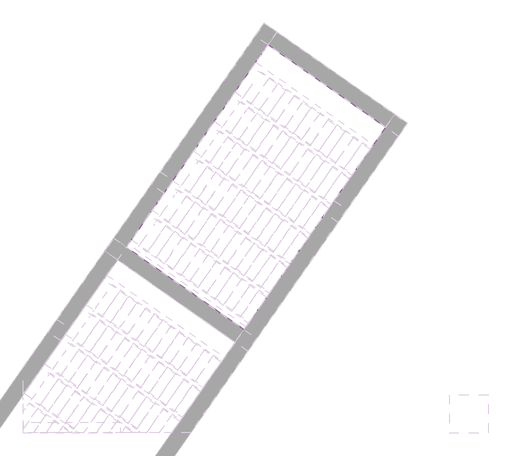
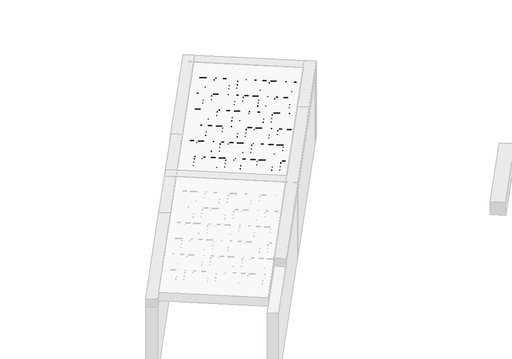
# One storey, part 4 of 6: 1 slab.
"""IFC4 building model written with IfcOpenShell, lengths in millimetres."""

from ifc_helpers import new_model, si_unit, frame, origin, place, context, project, spatial, polyline, outline, extrude, element, save

model = new_model("IFC4")

# Units and contexts
model_context = context("Model", 3, world=origin())
ifc_project = project(units=[si_unit("LENGTHUNIT", "METRE", prefix="MILLI")], contexts=[model_context])

# Site, building, storey
site = spatial("IfcSite", under=ifc_project)
building = spatial("IfcBuilding", under=site)
storey = spatial("IfcBuildingStorey", under=building, Elevation=93640.0)

# Slab
placement = place(None, origin())
element("IfcSlab", 1, at=placement, inside=storey, context=model_context, shape_type="SweptSolid", body=[
    extrude(outline(polyline([(29.5013912, 47.0318266), (24.7445698, 43.4584287), (22.859371, 37.8155084), (21.5, -28.884294), (35.0, -58.884294), (35.0, -88.884294), (30.0, -93.884294), (-30.0, -93.884294), (-35.0000001, -88.884294), (-35.0000001, -58.884294), (-21.5, -28.884294), (-22.859371, 37.8155084), (-24.7445699, 43.4584287), (-29.5013912, 47.0318266), (-55.0, 56.115706), (-55.0, 86.115706), (55.0, 86.115706), (55.0, 56.115706), (29.5013912, 47.0318266)])), frame((4111.8311631, 5334.5807621, 95776.115706), z_axis=(-0.8191520442696125, 0.5735764363787225, 0.0), x_axis=(0.5735764363787225, 0.8191520442696125, 0.0)), (0.0, 0.0, 1.0), 2784.44855),
    extrude(outline(polyline([(29.5013912, 47.0318266), (24.7445698, 43.4584287), (22.859371, 37.8155084), (21.5, -28.884294), (35.0, -58.884294), (35.0, -88.884294), (30.0, -93.884294), (-29.9999999, -93.884294), (-35.0, -88.884294), (-35.0, -58.884294), (-21.5, -28.884294), (-22.859371, 37.8155084), (-24.7445698, 43.4584287), (-29.5013913, 47.0318266), (-55.0000001, 56.115706), (-55.0000001, 86.115706), (55.0, 86.115706), (55.0, 56.115706), (29.5013912, 47.0318266)])), frame((4513.3346685, 5907.9871931, 95776.115706), z_axis=(-0.8191520442696125, 0.5735764363787225, 0.0), x_axis=(0.5735764363787225, 0.8191520442696125, 0.0)), (0.0, 0.0, 1.0), 2784.44855),
    extrude(outline(polyline([(29.5013912, 47.0318266), (24.7445698, 43.4584287), (22.859371, 37.8155084), (21.5, -28.884294), (35.0, -58.884294), (35.0, -88.884294), (30.0, -93.884294), (-30.0000001, -93.884294), (-35.0000001, -88.884294), (-35.0000001, -58.884294), (-21.5, -28.884294), (-22.859371, 37.8155084), (-24.7445699, 43.4584287), (-29.5013913, 47.0318266), (-55.0000001, 56.115706), (-55.0000001, 86.115706), (55.0, 86.115706), (55.0, 56.115706), (29.5013912, 47.0318266)])), frame((4914.838174, 6481.3936241, 95776.115706), z_axis=(-0.8191520442696125, 0.5735764363787225, 0.0), x_axis=(0.5735764363787225, 0.8191520442696125, 0.0)), (0.0, 0.0, 1.0), 2784.44855),
    extrude(outline(polyline([(29.5013912, 47.0318266), (24.7445698, 43.4584287), (22.8593709, 37.8155084), (21.5, -28.884294), (35.0, -58.884294), (35.0, -88.884294), (30.0, -93.884294), (-30.0000001, -93.884294), (-35.0000001, -88.884294), (-35.0000001, -58.884294), (-21.5, -28.884294), (-22.859371, 37.8155084), (-24.7445699, 43.4584287), (-29.5013913, 47.0318266), (-55.0000001, 56.115706), (-55.0000001, 86.115706), (55.0, 86.115706), (55.0, 56.115706), (29.5013912, 47.0318266)])), frame((5316.3416795, 7054.8000551, 95776.115706), z_axis=(-0.8191520442696125, 0.5735764363787225, 0.0), x_axis=(0.5735764363787225, 0.8191520442696125, 0.0)), (0.0, 0.0, 1.0), 2784.44855),
    extrude(outline(polyline([(29.5013913, 47.0318266), (24.7445699, 43.4584287), (22.859371, 37.8155084), (21.5, -28.884294), (35.0000001, -58.884294), (35.0000001, -88.884294), (30.0000001, -93.884294), (-29.9999999, -93.884294), (-34.9999999, -88.884294), (-34.9999999, -58.884294), (-21.4999999, -28.884294), (-22.8593709, 37.8155084), (-24.7445697, 43.4584287), (-29.5013912, 47.0318266), (-55.0, 56.115706), (-55.0, 86.115706), (55.0000001, 86.115706), (55.0000001, 56.115706), (29.5013913, 47.0318266)])), frame((5717.8451849, 7628.206486, 95776.115706), z_axis=(-0.8191520442696125, 0.5735764363787225, 0.0), x_axis=(0.5735764363787225, 0.8191520442696125, 0.0)), (0.0, 0.0, 1.0), 2784.44855),
    extrude(outline(polyline([(29.5013913, 47.0318266), (24.7445699, 43.4584287), (22.859371, 37.8155084), (21.5, -28.884294), (35.0000001, -58.884294), (35.0000001, -88.884294), (30.0000001, -93.884294), (-30.0, -93.884294), (-35.0, -88.884294), (-35.0, -58.884294), (-21.5, -28.884294), (-22.8593709, 37.8155084), (-24.7445698, 43.4584287), (-29.5013912, 47.0318266), (-55.0, 56.115706), (-55.0, 86.115706), (55.0000001, 86.115706), (55.0000001, 56.115706), (29.5013913, 47.0318266)])), frame((6119.3486904, 8201.612917, 95776.115706), z_axis=(-0.8191520442696125, 0.5735764363787225, 0.0), x_axis=(0.5735764363787225, 0.8191520442696125, 0.0)), (0.0, 0.0, 1.0), 2784.44855),
    extrude(outline(polyline([(29.5013913, 47.0318266), (24.7445699, 43.4584287), (22.859371, 37.8155084), (21.5, -28.884294), (35.0, -58.884294), (35.0, -88.884294), (30.0000001, -93.884294), (-30.0, -93.884294), (-35.0, -88.884294), (-35.0, -58.884294), (-21.5, -28.884294), (-22.859371, 37.8155084), (-24.7445698, 43.4584287), (-29.5013912, 47.0318266), (-55.0, 56.115706), (-55.0, 86.115706), (55.0000001, 86.115706), (55.0000001, 56.115706), (29.5013913, 47.0318266)])), frame((6520.8521959, 8775.019348, 95776.115706), z_axis=(-0.8191520442696125, 0.5735764363787225, 0.0), x_axis=(0.5735764363787225, 0.8191520442696125, 0.0)), (0.0, 0.0, 1.0), 2784.44855),
    extrude(outline(polyline([(2493.3397853, 7877.6734289), (2665.4127162, 8123.4190422), (4510.119792, 10757.9337753), (6791.0065139, 9160.8396987), (5792.9652978, 7735.4891254), (5620.8923669, 7489.7435122), (4041.8548378, 5234.6442127), (1760.9681159, 6831.7382893), (2493.3397853, 7877.6734289)])), frame((0.0, 0.0, 95690.0), z_axis=(0.0, 0.0, 1.0), x_axis=(1.0, 0.0, 0.0)), (0.0, 0.0, 1.0), 250.0),
    extrude(outline(polyline([(-295.0, 58.1660714), (-295.0, 89.9723214), (294.9999999, 89.9723214), (294.9999999, 58.1660714), (318.0, 49.9723214), (318.0, 29.9723214), (277.0, -18.0276786), (256.0, -100.0276786), (240.0, -110.0276786), (-240.0, -110.0276786), (-256.0, -100.0276786), (-277.0, -18.0276786), (-318.0, 29.9723214), (-318.0, 49.9723214), (-295.0, 58.1660714)])), frame((4312.5829158, 5621.2839776, 95778.1660714), z_axis=(-0.8191520442696126, 0.5735764363787226, 0.0), x_axis=(0.5735764363787226, 0.8191520442696126, 0.0)), (0.0, 0.0, 1.0), 195.0),
    extrude(outline(polyline([(-295.0000001, 58.1660714), (-295.0000001, 89.9723214), (294.9999999, 89.9723214), (294.9999999, 58.1660714), (317.9999999, 49.9723214), (317.9999999, 29.9723214), (276.9999999, -18.0276786), (256.0, -100.0276786), (240.0, -110.0276786), (-240.0000001, -110.0276786), (-256.0000001, -100.0276786), (-277.0, -18.0276786), (-318.0, 29.9723214), (-318.0, 49.9723214), (-295.0000001, 58.1660714)])), frame((4148.752507, 5735.9992649, 95778.1660714), z_axis=(-0.8191520442696126, 0.5735764363787226, 0.0), x_axis=(0.5735764363787226, 0.8191520442696126, 0.0)), (0.0, 0.0, 1.0), 195.0),
    extrude(outline(polyline([(-294.9999999, 58.1660714), (-294.9999999, 89.9723214), (295.0, 89.9723214), (295.0, 58.1660714), (318.0, 49.9723214), (318.0, 29.9723214), (277.0, -18.0276786), (256.0, -100.0276786), (240.0, -110.0276786), (-240.0, -110.0276786), (-256.0, -100.0276786), (-277.0, -18.0276786), (-318.0, 29.9723214), (-318.0, 49.9723214), (-294.9999999, 58.1660714)])), frame((3984.9220981, 5850.7145521, 95778.1660714), z_axis=(-0.8191520442696126, 0.5735764363787226, 0.0), x_axis=(0.5735764363787226, 0.8191520442696126, 0.0)), (0.0, 0.0, 1.0), 195.0),
    extrude(outline(polyline([(-295.0, 58.1660714), (-295.0, 89.9723214), (295.0, 89.9723214), (295.0, 58.1660714), (318.0, 49.9723214), (318.0, 29.9723214), (277.0, -18.0276786), (256.0, -100.0276786), (240.0, -110.0276786), (-240.0, -110.0276786), (-256.0, -100.0276786), (-277.0, -18.0276786), (-318.0, 29.9723214), (-318.0, 49.9723214), (-295.0, 58.1660714)])), frame((3821.0916893, 5965.4298394, 95778.1660714), z_axis=(-0.8191520442696126, 0.5735764363787226, 0.0), x_axis=(0.5735764363787226, 0.8191520442696126, 0.0)), (0.0, 0.0, 1.0), 195.0),
    extrude(outline(polyline([(-295.0, 58.1660714), (-295.0, 89.9723214), (295.0, 89.9723214), (295.0, 58.1660714), (318.0, 49.9723214), (318.0, 29.9723214), (277.0, -18.0276786), (256.0, -100.0276786), (240.0, -110.0276786), (-240.0, -110.0276786), (-256.0, -100.0276786), (-277.0, -18.0276786), (-318.0, 29.9723214), (-318.0, 49.9723214), (-295.0, 58.1660714)])), frame((3657.2612804, 6080.1451267, 95778.1660714), z_axis=(-0.8191520442696126, 0.5735764363787226, 0.0), x_axis=(0.5735764363787226, 0.8191520442696126, 0.0)), (0.0, 0.0, 1.0), 195.0),
    extrude(outline(polyline([(-295.0, 58.1660714), (-295.0, 89.9723214), (295.0, 89.9723214), (295.0, 58.1660714), (318.0, 49.9723214), (318.0, 29.9723214), (277.0, -18.0276786), (256.0, -100.0276786), (240.0, -110.0276786), (-240.0, -110.0276786), (-256.0, -100.0276786), (-277.0, -18.0276786), (-318.0, 29.9723214), (-318.0, 49.9723214), (-295.0, 58.1660714)])), frame((3493.4308715, 6194.860414, 95778.1660714), z_axis=(-0.8191520442696126, 0.5735764363787226, 0.0), x_axis=(0.5735764363787226, 0.8191520442696126, 0.0)), (0.0, 0.0, 1.0), 195.0),
    extrude(outline(polyline([(-294.9999999, 58.1660714), (-294.9999999, 89.9723214), (295.0, 89.9723214), (295.0, 58.1660714), (318.0, 49.9723214), (318.0, 29.9723214), (277.0, -18.0276786), (256.0, -100.0276786), (240.0, -110.0276786), (-240.0, -110.0276786), (-256.0, -100.0276786), (-277.0, -18.0276786), (-318.0, 29.9723214), (-318.0, 49.9723214), (-294.9999999, 58.1660714)])), frame((3329.6004627, 6309.5757012, 95778.1660714), z_axis=(-0.8191520442696126, 0.5735764363787226, 0.0), x_axis=(0.5735764363787226, 0.8191520442696126, 0.0)), (0.0, 0.0, 1.0), 195.0),
    extrude(outline(polyline([(-294.9999999, 58.1660714), (-294.9999999, 89.9723214), (295.0000001, 89.9723214), (295.0000001, 58.1660714), (318.0, 49.9723214), (318.0, 29.9723214), (277.0, -18.0276786), (256.0000001, -100.0276786), (240.0, -110.0276786), (-240.0, -110.0276786), (-256.0, -100.0276786), (-276.9999999, -18.0276786), (-318.0, 29.9723214), (-318.0, 49.9723214), (-294.9999999, 58.1660714)])), frame((3165.7700538, 6424.2909885, 95778.1660714), z_axis=(-0.8191520442696126, 0.5735764363787226, 0.0), x_axis=(0.5735764363787226, 0.8191520442696126, 0.0)), (0.0, 0.0, 1.0), 195.0),
    extrude(outline(polyline([(-295.0, 58.1660714), (-295.0, 89.9723214), (295.0, 89.9723214), (295.0, 58.1660714), (318.0, 49.9723214), (318.0, 29.9723214), (277.0, -18.0276786), (256.0, -100.0276786), (240.0, -110.0276786), (-240.0, -110.0276786), (-256.0, -100.0276786), (-277.0, -18.0276786), (-318.0, 29.9723214), (-318.0, 49.9723214), (-295.0, 58.1660714)])), frame((3001.939645, 6539.0062758, 95778.1660714), z_axis=(-0.8191520442696126, 0.5735764363787226, 0.0), x_axis=(0.5735764363787226, 0.8191520442696126, 0.0)), (0.0, 0.0, 1.0), 195.0),
    extrude(outline(polyline([(-295.0, 58.1660714), (-295.0, 89.9723214), (295.0, 89.9723214), (295.0, 58.1660714), (318.0, 49.9723214), (318.0, 29.9723214), (277.0, -18.0276786), (256.0, -100.0276786), (240.0, -110.0276786), (-240.0, -110.0276786), (-256.0, -100.0276786), (-277.0, -18.0276786), (-318.0, 29.9723214), (-318.0, 49.9723214), (-295.0, 58.1660714)])), frame((2838.1092361, 6653.7215631, 95778.1660714), z_axis=(-0.8191520442696126, 0.5735764363787226, 0.0), x_axis=(0.5735764363787226, 0.8191520442696126, 0.0)), (0.0, 0.0, 1.0), 195.0),
    extrude(outline(polyline([(-295.0, 58.1660714), (-295.0, 89.9723214), (295.0, 89.9723214), (295.0, 58.1660714), (318.0, 49.9723214), (318.0, 29.9723214), (277.0, -18.0276786), (256.0, -100.0276786), (240.0, -110.0276786), (-240.0, -110.0276786), (-256.0, -100.0276786), (-277.0, -18.0276786), (-318.0, 29.9723214), (-318.0, 49.9723214), (-295.0, 58.1660714)])), frame((2674.2788273, 6768.4368503, 95778.1660714), z_axis=(-0.8191520442696126, 0.5735764363787226, 0.0), x_axis=(0.5735764363787226, 0.8191520442696126, 0.0)), (0.0, 0.0, 1.0), 195.0),
    extrude(outline(polyline([(-294.9999999, 58.1660714), (-294.9999999, 89.9723214), (295.0000001, 89.9723214), (295.0000001, 58.1660714), (318.0, 49.9723214), (318.0, 29.9723214), (277.0, -18.0276786), (256.0, -100.0276786), (240.0, -110.0276786), (-240.0, -110.0276786), (-256.0, -100.0276786), (-277.0, -18.0276786), (-318.0, 29.9723214), (-318.0, 49.9723214), (-294.9999999, 58.1660714)])), frame((2510.4484184, 6883.1521376, 95778.1660714), z_axis=(-0.8191520442696126, 0.5735764363787226, 0.0), x_axis=(0.5735764363787226, 0.8191520442696126, 0.0)), (0.0, 0.0, 1.0), 195.0),
    extrude(outline(polyline([(-295.0000001, 58.1660714), (-295.0000001, 89.9723214), (295.0, 89.9723214), (295.0, 58.1660714), (318.0, 49.9723214), (318.0, 29.9723214), (277.0, -18.0276786), (256.0, -100.0276786), (240.0, -110.0276786), (-240.0, -110.0276786), (-256.0, -100.0276786), (-277.0, -18.0276786), (-318.0, 29.9723214), (-318.0, 49.9723214), (-295.0000001, 58.1660714)])), frame((2346.6180096, 6997.8674249, 95778.1660714), z_axis=(-0.8191520442696126, 0.5735764363787226, 0.0), x_axis=(0.5735764363787226, 0.8191520442696126, 0.0)), (0.0, 0.0, 1.0), 195.0),
    extrude(outline(polyline([(-295.0, 58.1660714), (-295.0, 89.9723214), (294.9999999, 89.9723214), (294.9999999, 58.1660714), (318.0, 49.9723214), (318.0, 29.9723214), (277.0, -18.0276786), (256.0, -100.0276786), (240.0, -110.0276786), (-240.0, -110.0276786), (-256.0, -100.0276786), (-277.0, -18.0276786), (-318.0, 29.9723214), (-318.0, 49.9723214), (-295.0, 58.1660714)])), frame((4714.0864213, 6194.6904086, 95778.1660714), z_axis=(-0.8191520442696126, 0.5735764363787226, 0.0), x_axis=(0.5735764363787226, 0.8191520442696126, 0.0)), (0.0, 0.0, 1.0), 195.0),
    extrude(outline(polyline([(-295.0, 58.1660714), (-295.0, 89.9723214), (295.0, 89.9723214), (295.0, 58.1660714), (318.0, 49.9723214), (318.0, 29.9723214), (277.0, -18.0276786), (256.0, -100.0276786), (240.0, -110.0276786), (-240.0, -110.0276786), (-256.0, -100.0276786), (-277.0, -18.0276786), (-318.0, 29.9723214), (-318.0, 49.9723214), (-295.0, 58.1660714)])), frame((4550.2560124, 6309.4056959, 95778.1660714), z_axis=(-0.8191520442696126, 0.5735764363787226, 0.0), x_axis=(0.5735764363787226, 0.8191520442696126, 0.0)), (0.0, 0.0, 1.0), 195.0),
    extrude(outline(polyline([(-295.0, 58.1660714), (-295.0, 89.9723214), (295.0, 89.9723214), (295.0, 58.1660714), (318.0, 49.9723214), (318.0, 29.9723214), (277.0, -18.0276786), (256.0, -100.0276786), (240.0, -110.0276786), (-240.0, -110.0276786), (-256.0, -100.0276786), (-277.0, -18.0276786), (-318.0, 29.9723214), (-318.0, 49.9723214), (-295.0, 58.1660714)])), frame((4386.4256036, 6424.1209831, 95778.1660714), z_axis=(-0.8191520442696126, 0.5735764363787226, 0.0), x_axis=(0.5735764363787226, 0.8191520442696126, 0.0)), (0.0, 0.0, 1.0), 195.0),
    extrude(outline(polyline([(-295.0, 58.1660714), (-295.0, 89.9723214), (295.0000001, 89.9723214), (295.0000001, 58.1660714), (318.0, 49.9723214), (318.0, 29.9723214), (277.0, -18.0276786), (256.0, -100.0276786), (240.0, -110.0276786), (-240.0, -110.0276786), (-256.0, -100.0276786), (-277.0, -18.0276786), (-318.0, 29.9723214), (-318.0, 49.9723214), (-295.0, 58.1660714)])), frame((4222.5951947, 6538.8362704, 95778.1660714), z_axis=(-0.8191520442696126, 0.5735764363787226, 0.0), x_axis=(0.5735764363787226, 0.8191520442696126, 0.0)), (0.0, 0.0, 1.0), 195.0),
    extrude(outline(polyline([(-295.0000001, 58.1660714), (-295.0000001, 89.9723214), (294.9999999, 89.9723214), (294.9999999, 58.1660714), (318.0, 49.9723214), (318.0, 29.9723214), (276.9999999, -18.0276786), (256.0, -100.0276786), (240.0, -110.0276786), (-240.0, -110.0276786), (-256.0, -100.0276786), (-277.0, -18.0276786), (-318.0, 29.9723214), (-318.0, 49.9723214), (-295.0000001, 58.1660714)])), frame((4058.7647859, 6653.5515577, 95778.1660714), z_axis=(-0.8191520442696126, 0.5735764363787226, 0.0), x_axis=(0.5735764363787226, 0.8191520442696126, 0.0)), (0.0, 0.0, 1.0), 195.0),
    extrude(outline(polyline([(-295.0, 58.1660714), (-295.0, 89.9723214), (294.9999999, 89.9723214), (294.9999999, 58.1660714), (318.0, 49.9723214), (318.0, 29.9723214), (277.0, -18.0276786), (256.0, -100.0276786), (240.0, -110.0276786), (-240.0, -110.0276786), (-256.0, -100.0276786), (-277.0, -18.0276786), (-318.0, 29.9723214), (-318.0, 49.9723214), (-295.0, 58.1660714)])), frame((3894.934377, 6768.266845, 95778.1660714), z_axis=(-0.8191520442696126, 0.5735764363787226, 0.0), x_axis=(0.5735764363787226, 0.8191520442696126, 0.0)), (0.0, 0.0, 1.0), 195.0),
    extrude(outline(polyline([(-295.0, 58.1660714), (-295.0, 89.9723214), (295.0, 89.9723214), (295.0, 58.1660714), (318.0, 49.9723214), (318.0, 29.9723214), (277.0, -18.0276786), (256.0, -100.0276786), (240.0, -110.0276786), (-240.0, -110.0276786), (-256.0, -100.0276786), (-277.0, -18.0276786), (-318.0, 29.9723214), (-318.0, 49.9723214), (-295.0, 58.1660714)])), frame((3731.1039682, 6882.9821322, 95778.1660714), z_axis=(-0.8191520442696126, 0.5735764363787226, 0.0), x_axis=(0.5735764363787226, 0.8191520442696126, 0.0)), (0.0, 0.0, 1.0), 195.0),
    extrude(outline(polyline([(-295.0, 58.1660714), (-295.0, 89.9723214), (295.0, 89.9723214), (295.0, 58.1660714), (318.0, 49.9723214), (318.0, 29.9723214), (277.0, -18.0276786), (256.0, -100.0276786), (240.0, -110.0276786), (-240.0, -110.0276786), (-256.0, -100.0276786), (-277.0, -18.0276786), (-318.0, 29.9723214), (-318.0, 49.9723214), (-295.0, 58.1660714)])), frame((3567.2735593, 6997.6974195, 95778.1660714), z_axis=(-0.8191520442696126, 0.5735764363787226, 0.0), x_axis=(0.5735764363787226, 0.8191520442696126, 0.0)), (0.0, 0.0, 1.0), 195.0),
    extrude(outline(polyline([(-295.0000001, 58.1660714), (-295.0000001, 89.9723214), (294.9999999, 89.9723214), (294.9999999, 58.1660714), (318.0, 49.9723214), (318.0, 29.9723214), (276.9999999, -18.0276786), (256.0, -100.0276786), (240.0, -110.0276786), (-240.0, -110.0276786), (-256.0000001, -100.0276786), (-277.0, -18.0276786), (-318.0, 29.9723214), (-318.0, 49.9723214), (-295.0000001, 58.1660714)])), frame((3403.4431505, 7112.4127068, 95778.1660714), z_axis=(-0.8191520442696126, 0.5735764363787226, 0.0), x_axis=(0.5735764363787226, 0.8191520442696126, 0.0)), (0.0, 0.0, 1.0), 195.0),
    extrude(outline(polyline([(-295.0, 58.1660714), (-295.0, 89.9723214), (294.9999999, 89.9723214), (294.9999999, 58.1660714), (318.0, 49.9723214), (318.0, 29.9723214), (277.0, -18.0276786), (256.0, -100.0276786), (240.0, -110.0276786), (-240.0, -110.0276786), (-256.0, -100.0276786), (-277.0, -18.0276786), (-318.0, 29.9723214), (-318.0, 49.9723214), (-295.0, 58.1660714)])), frame((3239.6127416, 7227.1279941, 95778.1660714), z_axis=(-0.8191520442696126, 0.5735764363787226, 0.0), x_axis=(0.5735764363787226, 0.8191520442696126, 0.0)), (0.0, 0.0, 1.0), 195.0),
    extrude(outline(polyline([(-294.9999999, 58.1660714), (-294.9999999, 89.9723214), (295.0000001, 89.9723214), (295.0000001, 58.1660714), (318.0, 49.9723214), (318.0, 29.9723214), (277.0, -18.0276786), (256.0000001, -100.0276786), (240.0000001, -110.0276786), (-240.0, -110.0276786), (-256.0, -100.0276786), (-276.9999999, -18.0276786), (-317.9999999, 29.9723214), (-317.9999999, 49.9723214), (-294.9999999, 58.1660714)])), frame((3075.7823327, 7341.8432813, 95778.1660714), z_axis=(-0.8191520442696126, 0.5735764363787226, 0.0), x_axis=(0.5735764363787226, 0.8191520442696126, 0.0)), (0.0, 0.0, 1.0), 195.0),
    extrude(outline(polyline([(-294.9999999, 58.1660714), (-294.9999999, 89.9723214), (295.0, 89.9723214), (295.0, 58.1660714), (318.0, 49.9723214), (318.0, 29.9723214), (277.0, -18.0276786), (256.0, -100.0276786), (240.0, -110.0276786), (-240.0, -110.0276786), (-256.0, -100.0276786), (-277.0, -18.0276786), (-318.0, 29.9723214), (-318.0, 49.9723214), (-294.9999999, 58.1660714)])), frame((2911.9519239, 7456.5585686, 95778.1660714), z_axis=(-0.8191520442696126, 0.5735764363787226, 0.0), x_axis=(0.5735764363787226, 0.8191520442696126, 0.0)), (0.0, 0.0, 1.0), 195.0),
    extrude(outline(polyline([(-295.0, 58.1660714), (-295.0, 89.9723214), (295.0, 89.9723214), (295.0, 58.1660714), (318.0, 49.9723214), (318.0, 29.9723214), (277.0, -18.0276786), (256.0, -100.0276786), (240.0, -110.0276786), (-240.0, -110.0276786), (-256.0, -100.0276786), (-277.0, -18.0276786), (-318.0, 29.9723214), (-318.0, 49.9723214), (-295.0, 58.1660714)])), frame((2748.121515, 7571.2738559, 95778.1660714), z_axis=(-0.8191520442696126, 0.5735764363787226, 0.0), x_axis=(0.5735764363787226, 0.8191520442696126, 0.0)), (0.0, 0.0, 1.0), 195.0),
    extrude(outline(polyline([(-295.0, 58.1660714), (-295.0, 89.9723214), (295.0, 89.9723214), (295.0, 58.1660714), (318.0, 49.9723214), (318.0, 29.9723214), (277.0, -18.0276786), (256.0, -100.0276786), (240.0, -110.0276786), (-240.0, -110.0276786), (-256.0, -100.0276786), (-277.0, -18.0276786), (-318.0, 29.9723214), (-318.0, 49.9723214), (-295.0, 58.1660714)])), frame((5115.5899267, 6768.0968396, 95778.1660714), z_axis=(-0.8191520442696126, 0.5735764363787226, 0.0), x_axis=(0.5735764363787226, 0.8191520442696126, 0.0)), (0.0, 0.0, 1.0), 195.0),
    extrude(outline(polyline([(-294.9999999, 58.1660714), (-294.9999999, 89.9723214), (295.0, 89.9723214), (295.0, 58.1660714), (318.0, 49.9723214), (318.0, 29.9723214), (277.0, -18.0276786), (256.0, -100.0276786), (240.0, -110.0276786), (-240.0, -110.0276786), (-256.0, -100.0276786), (-277.0, -18.0276786), (-318.0, 29.9723214), (-318.0, 49.9723214), (-294.9999999, 58.1660714)])), frame((4951.7595179, 6882.8121268, 95778.1660714), z_axis=(-0.8191520442696126, 0.5735764363787226, 0.0), x_axis=(0.5735764363787226, 0.8191520442696126, 0.0)), (0.0, 0.0, 1.0), 195.0),
    extrude(outline(polyline([(-294.9999999, 58.1660714), (-294.9999999, 89.9723214), (295.0000001, 89.9723214), (295.0000001, 58.1660714), (318.0, 49.9723214), (318.0, 29.9723214), (277.0, -18.0276786), (256.0, -100.0276786), (240.0, -110.0276786), (-240.0, -110.0276786), (-256.0, -100.0276786), (-276.9999999, -18.0276786), (-318.0, 29.9723214), (-318.0, 49.9723214), (-294.9999999, 58.1660714)])), frame((4787.929109, 6997.5274141, 95778.1660714), z_axis=(-0.8191520442696126, 0.5735764363787226, 0.0), x_axis=(0.5735764363787226, 0.8191520442696126, 0.0)), (0.0, 0.0, 1.0), 195.0),
    extrude(outline(polyline([(-295.0, 58.1660714), (-295.0, 89.9723214), (295.0, 89.9723214), (295.0, 58.1660714), (318.0, 49.9723214), (318.0, 29.9723214), (277.0, -18.0276786), (256.0, -100.0276786), (240.0, -110.0276786), (-240.0, -110.0276786), (-256.0, -100.0276786), (-277.0, -18.0276786), (-318.0, 29.9723214), (-318.0, 49.9723214), (-295.0, 58.1660714)])), frame((4624.0987002, 7112.2427014, 95778.1660714), z_axis=(-0.8191520442696126, 0.5735764363787226, 0.0), x_axis=(0.5735764363787226, 0.8191520442696126, 0.0)), (0.0, 0.0, 1.0), 195.0),
    extrude(outline(polyline([(-295.0, 58.1660714), (-295.0, 89.9723214), (295.0, 89.9723214), (295.0, 58.1660714), (318.0, 49.9723214), (318.0, 29.9723214), (277.0, -18.0276786), (256.0, -100.0276786), (240.0, -110.0276786), (-240.0, -110.0276786), (-256.0, -100.0276786), (-277.0, -18.0276786), (-318.0, 29.9723214), (-318.0, 49.9723214), (-295.0, 58.1660714)])), frame((4460.2682913, 7226.9579887, 95778.1660714), z_axis=(-0.8191520442696126, 0.5735764363787226, 0.0), x_axis=(0.5735764363787226, 0.8191520442696126, 0.0)), (0.0, 0.0, 1.0), 195.0),
    extrude(outline(polyline([(-295.0, 58.1660714), (-295.0, 89.9723214), (295.0, 89.9723214), (295.0, 58.1660714), (318.0, 49.9723214), (318.0, 29.9723214), (277.0, -18.0276786), (256.0, -100.0276786), (240.0, -110.0276786), (-240.0, -110.0276786), (-256.0, -100.0276786), (-277.0, -18.0276786), (-318.0, 29.9723214), (-318.0, 49.9723214), (-295.0, 58.1660714)])), frame((4296.4378825, 7341.6732759, 95778.1660714), z_axis=(-0.8191520442696126, 0.5735764363787226, 0.0), x_axis=(0.5735764363787226, 0.8191520442696126, 0.0)), (0.0, 0.0, 1.0), 195.0),
    extrude(outline(polyline([(-294.9999999, 58.1660714), (-294.9999999, 89.9723214), (295.0000001, 89.9723214), (295.0000001, 58.1660714), (318.0, 49.9723214), (318.0, 29.9723214), (277.0, -18.0276786), (256.0, -100.0276786), (240.0, -110.0276786), (-240.0, -110.0276786), (-256.0, -100.0276786), (-277.0, -18.0276786), (-318.0, 29.9723214), (-318.0, 49.9723214), (-294.9999999, 58.1660714)])), frame((4132.6074736, 7456.3885632, 95778.1660714), z_axis=(-0.8191520442696126, 0.5735764363787226, 0.0), x_axis=(0.5735764363787226, 0.8191520442696126, 0.0)), (0.0, 0.0, 1.0), 195.0),
    extrude(outline(polyline([(-295.0000001, 58.1660714), (-295.0000001, 89.9723214), (295.0, 89.9723214), (295.0, 58.1660714), (318.0, 49.9723214), (318.0, 29.9723214), (277.0, -18.0276786), (256.0, -100.0276786), (240.0, -110.0276786), (-240.0, -110.0276786), (-256.0, -100.0276786), (-277.0, -18.0276786), (-318.0, 29.9723214), (-318.0, 49.9723214), (-295.0000001, 58.1660714)])), frame((3968.7770648, 7571.1038505, 95778.1660714), z_axis=(-0.8191520442696126, 0.5735764363787226, 0.0), x_axis=(0.5735764363787226, 0.8191520442696126, 0.0)), (0.0, 0.0, 1.0), 195.0),
    extrude(outline(polyline([(-295.0, 58.1660714), (-295.0, 89.9723214), (294.9999999, 89.9723214), (294.9999999, 58.1660714), (318.0, 49.9723214), (318.0, 29.9723214), (277.0, -18.0276786), (256.0, -100.0276786), (240.0, -110.0276786), (-240.0, -110.0276786), (-256.0, -100.0276786), (-277.0, -18.0276786), (-318.0, 29.9723214), (-318.0, 49.9723214), (-295.0, 58.1660714)])), frame((3804.9466559, 7685.8191378, 95778.1660714), z_axis=(-0.8191520442696126, 0.5735764363787226, 0.0), x_axis=(0.5735764363787226, 0.8191520442696126, 0.0)), (0.0, 0.0, 1.0), 195.0),
    extrude(outline(polyline([(-295.0, 58.1660714), (-295.0, 89.9723214), (295.0, 89.9723214), (295.0, 58.1660714), (318.0, 49.9723214), (318.0, 29.9723214), (277.0, -18.0276786), (256.0, -100.0276786), (240.0, -110.0276786), (-240.0, -110.0276786), (-256.0, -100.0276786), (-277.0, -18.0276786), (-318.0, 29.9723214), (-318.0, 49.9723214), (-295.0, 58.1660714)])), frame((3641.1162471, 7800.534425, 95778.1660714), z_axis=(-0.8191520442696126, 0.5735764363787226, 0.0), x_axis=(0.5735764363787226, 0.8191520442696126, 0.0)), (0.0, 0.0, 1.0), 195.0),
    extrude(outline(polyline([(-294.9999999, 58.1660714), (-294.9999999, 89.9723214), (295.0, 89.9723214), (295.0, 58.1660714), (318.0, 49.9723214), (318.0, 29.9723214), (277.0, -18.0276786), (256.0, -100.0276786), (240.0, -110.0276786), (-240.0, -110.0276786), (-256.0, -100.0276786), (-277.0, -18.0276786), (-318.0, 29.9723214), (-318.0, 49.9723214), (-294.9999999, 58.1660714)])), frame((3477.2858382, 7915.2497123, 95778.1660714), z_axis=(-0.8191520442696126, 0.5735764363787226, 0.0), x_axis=(0.5735764363787226, 0.8191520442696126, 0.0)), (0.0, 0.0, 1.0), 195.0),
    extrude(outline(polyline([(-295.0000001, 58.1660714), (-295.0000001, 89.9723214), (295.0, 89.9723214), (295.0, 58.1660714), (318.0, 49.9723214), (318.0, 29.9723214), (277.0, -18.0276786), (256.0, -100.0276786), (240.0, -110.0276786), (-240.0, -110.0276786), (-256.0, -100.0276786), (-277.0, -18.0276786), (-318.0, 29.9723214), (-318.0, 49.9723214), (-295.0000001, 58.1660714)])), frame((3313.4554294, 8029.9649996, 95778.1660714), z_axis=(-0.8191520442696126, 0.5735764363787226, 0.0), x_axis=(0.5735764363787226, 0.8191520442696126, 0.0)), (0.0, 0.0, 1.0), 195.0),
    extrude(outline(polyline([(-295.0, 58.1660714), (-295.0, 89.9723214), (294.9999999, 89.9723214), (294.9999999, 58.1660714), (318.0, 49.9723214), (318.0, 29.9723214), (277.0, -18.0276786), (256.0, -100.0276786), (240.0, -110.0276786), (-240.0, -110.0276786), (-256.0, -100.0276786), (-277.0, -18.0276786), (-318.0, 29.9723214), (-318.0, 49.9723214), (-295.0, 58.1660714)])), frame((3149.6250205, 8144.6802869, 95778.1660714), z_axis=(-0.8191520442696126, 0.5735764363787226, 0.0), x_axis=(0.5735764363787226, 0.8191520442696126, 0.0)), (0.0, 0.0, 1.0), 195.0),
    extrude(outline(polyline([(-295.0, 58.1660714), (-295.0, 89.9723214), (294.9999999, 89.9723214), (294.9999999, 58.1660714), (318.0, 49.9723214), (318.0, 29.9723214), (277.0, -18.0276786), (256.0, -100.0276786), (240.0, -110.0276786), (-240.0, -110.0276786), (-256.0, -100.0276786), (-277.0, -18.0276786), (-318.0, 29.9723214), (-318.0, 49.9723214), (-295.0, 58.1660714)])), frame((5517.0934322, 7341.5032706, 95778.1660714), z_axis=(-0.8191520442696126, 0.5735764363787226, 0.0), x_axis=(0.5735764363787226, 0.8191520442696126, 0.0)), (0.0, 0.0, 1.0), 195.0),
    extrude(outline(polyline([(-295.0, 58.1660714), (-295.0, 89.9723214), (295.0, 89.9723214), (295.0, 58.1660714), (318.0, 49.9723214), (318.0, 29.9723214), (277.0, -18.0276786), (256.0, -100.0276786), (240.0, -110.0276786), (-240.0, -110.0276786), (-256.0, -100.0276786), (-277.0, -18.0276786), (-318.0, 29.9723214), (-318.0, 49.9723214), (-295.0, 58.1660714)])), frame((5353.2630234, 7456.2185578, 95778.1660714), z_axis=(-0.8191520442696126, 0.5735764363787226, 0.0), x_axis=(0.5735764363787226, 0.8191520442696126, 0.0)), (0.0, 0.0, 1.0), 195.0),
    extrude(outline(polyline([(-295.0, 58.1660714), (-295.0, 89.9723214), (295.0, 89.9723214), (295.0, 58.1660714), (318.0, 49.9723214), (318.0, 29.9723214), (277.0, -18.0276786), (256.0, -100.0276786), (240.0, -110.0276786), (-240.0, -110.0276786), (-256.0, -100.0276786), (-277.0, -18.0276786), (-318.0, 29.9723214), (-318.0, 49.9723214), (-295.0, 58.1660714)])), frame((5189.4326145, 7570.9338451, 95778.1660714), z_axis=(-0.8191520442696126, 0.5735764363787226, 0.0), x_axis=(0.5735764363787226, 0.8191520442696126, 0.0)), (0.0, 0.0, 1.0), 195.0),
    extrude(outline(polyline([(-295.0000001, 58.1660714), (-295.0000001, 89.9723214), (294.9999999, 89.9723214), (294.9999999, 58.1660714), (318.0, 49.9723214), (318.0, 29.9723214), (276.9999999, -18.0276786), (256.0, -100.0276786), (240.0, -110.0276786), (-240.0, -110.0276786), (-256.0000001, -100.0276786), (-277.0, -18.0276786), (-318.0, 29.9723214), (-318.0, 49.9723214), (-295.0000001, 58.1660714)])), frame((5025.6022057, 7685.6491324, 95778.1660714), z_axis=(-0.8191520442696126, 0.5735764363787226, 0.0), x_axis=(0.5735764363787226, 0.8191520442696126, 0.0)), (0.0, 0.0, 1.0), 195.0),
    extrude(outline(polyline([(-295.0, 58.1660714), (-295.0, 89.9723214), (294.9999999, 89.9723214), (294.9999999, 58.1660714), (318.0, 49.9723214), (318.0, 29.9723214), (277.0, -18.0276786), (256.0, -100.0276786), (240.0, -110.0276786), (-240.0, -110.0276786), (-256.0, -100.0276786), (-277.0, -18.0276786), (-318.0, 29.9723214), (-318.0, 49.9723214), (-295.0, 58.1660714)])), frame((4861.7717968, 7800.3644197, 95778.1660714), z_axis=(-0.8191520442696126, 0.5735764363787226, 0.0), x_axis=(0.5735764363787226, 0.8191520442696126, 0.0)), (0.0, 0.0, 1.0), 195.0),
    extrude(outline(polyline([(-294.9999999, 58.1660714), (-294.9999999, 89.9723214), (295.0000001, 89.9723214), (295.0000001, 58.1660714), (318.0, 49.9723214), (318.0, 29.9723214), (277.0, -18.0276786), (256.0000001, -100.0276786), (240.0000001, -110.0276786), (-240.0, -110.0276786), (-256.0, -100.0276786), (-276.9999999, -18.0276786), (-317.9999999, 29.9723214), (-317.9999999, 49.9723214), (-294.9999999, 58.1660714)])), frame((4697.9413879, 7915.0797069, 95778.1660714), z_axis=(-0.8191520442696126, 0.5735764363787226, 0.0), x_axis=(0.5735764363787226, 0.8191520442696126, 0.0)), (0.0, 0.0, 1.0), 195.0),
    extrude(outline(polyline([(-295.0, 58.1660714), (-295.0, 89.9723214), (295.0, 89.9723214), (295.0, 58.1660714), (318.0, 49.9723214), (318.0, 29.9723214), (277.0, -18.0276786), (256.0, -100.0276786), (240.0, -110.0276786), (-240.0, -110.0276786), (-256.0, -100.0276786), (-277.0, -18.0276786), (-318.0, 29.9723214), (-318.0, 49.9723214), (-295.0, 58.1660714)])), frame((4534.1109791, 8029.7949942, 95778.1660714), z_axis=(-0.8191520442696126, 0.5735764363787226, 0.0), x_axis=(0.5735764363787226, 0.8191520442696126, 0.0)), (0.0, 0.0, 1.0), 195.0),
    extrude(outline(polyline([(-295.0, 58.1660714), (-295.0, 89.9723214), (295.0, 89.9723214), (295.0, 58.1660714), (318.0, 49.9723214), (318.0, 29.9723214), (277.0, -18.0276786), (256.0, -100.0276786), (240.0, -110.0276786), (-240.0, -110.0276786), (-256.0, -100.0276786), (-277.0, -18.0276786), (-318.0, 29.9723214), (-318.0, 49.9723214), (-295.0, 58.1660714)])), frame((4370.2805702, 8144.5102815, 95778.1660714), z_axis=(-0.8191520442696126, 0.5735764363787226, 0.0), x_axis=(0.5735764363787226, 0.8191520442696126, 0.0)), (0.0, 0.0, 1.0), 195.0),
    extrude(outline(polyline([(-295.0000001, 58.1660714), (-295.0000001, 89.9723214), (294.9999999, 89.9723214), (294.9999999, 58.1660714), (317.9999999, 49.9723214), (317.9999999, 29.9723214), (277.0, -18.0276786), (256.0, -100.0276786), (240.0, -110.0276786), (-240.0000001, -110.0276786), (-256.0, -100.0276786), (-277.0, -18.0276786), (-318.0, 29.9723214), (-318.0, 49.9723214), (-295.0000001, 58.1660714)])), frame((4206.4501614, 8259.2255688, 95778.1660714), z_axis=(-0.8191520442696126, 0.5735764363787226, 0.0), x_axis=(0.5735764363787226, 0.8191520442696126, 0.0)), (0.0, 0.0, 1.0), 195.0),
    extrude(outline(polyline([(-294.9999999, 58.1660714), (-294.9999999, 89.9723214), (295.0000001, 89.9723214), (295.0000001, 58.1660714), (318.0, 49.9723214), (318.0, 29.9723214), (277.0, -18.0276786), (256.0, -100.0276786), (240.0000001, -110.0276786), (-240.0, -110.0276786), (-256.0, -100.0276786), (-277.0, -18.0276786), (-317.9999999, 29.9723214), (-317.9999999, 49.9723214), (-294.9999999, 58.1660714)])), frame((4042.6197525, 8373.940856, 95778.1660714), z_axis=(-0.8191520442696126, 0.5735764363787226, 0.0), x_axis=(0.5735764363787226, 0.8191520442696126, 0.0)), (0.0, 0.0, 1.0), 195.0),
    extrude(outline(polyline([(-295.0, 58.1660714), (-295.0, 89.9723214), (295.0, 89.9723214), (295.0, 58.1660714), (318.0, 49.9723214), (318.0, 29.9723214), (277.0, -18.0276786), (256.0, -100.0276786), (240.0, -110.0276786), (-240.0, -110.0276786), (-256.0, -100.0276786), (-277.0, -18.0276786), (-318.0, 29.9723214), (-318.0, 49.9723214), (-295.0, 58.1660714)])), frame((3878.7893437, 8488.6561433, 95778.1660714), z_axis=(-0.8191520442696126, 0.5735764363787226, 0.0), x_axis=(0.5735764363787226, 0.8191520442696126, 0.0)), (0.0, 0.0, 1.0), 195.0),
    extrude(outline(polyline([(-295.0, 58.1660714), (-295.0, 89.9723214), (295.0, 89.9723214), (295.0, 58.1660714), (318.0, 49.9723214), (318.0, 29.9723214), (277.0, -18.0276786), (256.0, -100.0276786), (240.0, -110.0276786), (-240.0, -110.0276786), (-256.0, -100.0276786), (-277.0, -18.0276786), (-318.0, 29.9723214), (-318.0, 49.9723214), (-295.0, 58.1660714)])), frame((3714.9589348, 8603.3714306, 95778.1660714), z_axis=(-0.8191520442696126, 0.5735764363787226, 0.0), x_axis=(0.5735764363787226, 0.8191520442696126, 0.0)), (0.0, 0.0, 1.0), 195.0),
    extrude(outline(polyline([(-295.0000001, 58.1660714), (-295.0000001, 89.9723214), (294.9999999, 89.9723214), (294.9999999, 58.1660714), (317.9999999, 49.9723214), (317.9999999, 29.9723214), (276.9999999, -18.0276786), (256.0, -100.0276786), (240.0, -110.0276786), (-240.0000001, -110.0276786), (-256.0, -100.0276786), (-277.0, -18.0276786), (-318.0, 29.9723214), (-318.0, 49.9723214), (-295.0000001, 58.1660714)])), frame((3551.128526, 8718.0867179, 95778.1660714), z_axis=(-0.8191520442696126, 0.5735764363787226, 0.0), x_axis=(0.5735764363787226, 0.8191520442696126, 0.0)), (0.0, 0.0, 1.0), 195.0),
    extrude(outline(polyline([(-295.0, 58.1660714), (-295.0, 89.9723214), (295.0, 89.9723214), (295.0, 58.1660714), (318.0, 49.9723214), (318.0, 29.9723214), (277.0, -18.0276786), (256.0, -100.0276786), (240.0, -110.0276786), (-240.0, -110.0276786), (-256.0, -100.0276786), (-277.0, -18.0276786), (-318.0, 29.9723214), (-318.0, 49.9723214), (-295.0, 58.1660714)])), frame((5918.5969377, 7914.9097015, 95778.1660714), z_axis=(-0.8191520442696126, 0.5735764363787226, 0.0), x_axis=(0.5735764363787226, 0.8191520442696126, 0.0)), (0.0, 0.0, 1.0), 195.0),
    extrude(outline(polyline([(-294.9999999, 58.1660714), (-294.9999999, 89.9723214), (295.0000001, 89.9723214), (295.0000001, 58.1660714), (318.0, 49.9723214), (318.0, 29.9723214), (277.0, -18.0276786), (256.0, -100.0276786), (240.0, -110.0276786), (-240.0, -110.0276786), (-256.0, -100.0276786), (-277.0, -18.0276786), (-318.0, 29.9723214), (-318.0, 49.9723214), (-294.9999999, 58.1660714)])), frame((5754.7665288, 8029.6249888, 95778.1660714), z_axis=(-0.8191520442696126, 0.5735764363787226, 0.0), x_axis=(0.5735764363787226, 0.8191520442696126, 0.0)), (0.0, 0.0, 1.0), 195.0),
    extrude(outline(polyline([(-295.0000001, 58.1660714), (-295.0000001, 89.9723214), (295.0, 89.9723214), (295.0, 58.1660714), (318.0, 49.9723214), (318.0, 29.9723214), (277.0, -18.0276786), (256.0, -100.0276786), (240.0, -110.0276786), (-240.0, -110.0276786), (-256.0, -100.0276786), (-277.0, -18.0276786), (-318.0, 29.9723214), (-318.0, 49.9723214), (-295.0000001, 58.1660714)])), frame((5590.93612, 8144.3402761, 95778.1660714), z_axis=(-0.8191520442696126, 0.5735764363787226, 0.0), x_axis=(0.5735764363787226, 0.8191520442696126, 0.0)), (0.0, 0.0, 1.0), 195.0),
    extrude(outline(polyline([(-295.0, 58.1660714), (-295.0, 89.9723214), (294.9999999, 89.9723214), (294.9999999, 58.1660714), (318.0, 49.9723214), (318.0, 29.9723214), (277.0, -18.0276786), (256.0, -100.0276786), (240.0, -110.0276786), (-240.0, -110.0276786), (-256.0, -100.0276786), (-277.0, -18.0276786), (-318.0, 29.9723214), (-318.0, 49.9723214), (-295.0, 58.1660714)])), frame((5427.1057111, 8259.0555634, 95778.1660714), z_axis=(-0.8191520442696126, 0.5735764363787226, 0.0), x_axis=(0.5735764363787226, 0.8191520442696126, 0.0)), (0.0, 0.0, 1.0), 195.0),
    extrude(outline(polyline([(-295.0, 58.1660714), (-295.0, 89.9723214), (295.0, 89.9723214), (295.0, 58.1660714), (318.0, 49.9723214), (318.0, 29.9723214), (277.0, -18.0276786), (256.0, -100.0276786), (240.0, -110.0276786), (-240.0, -110.0276786), (-256.0, -100.0276786), (-277.0, -18.0276786), (-318.0, 29.9723214), (-318.0, 49.9723214), (-295.0, 58.1660714)])), frame((5263.2753023, 8373.7708506, 95778.1660714), z_axis=(-0.8191520442696126, 0.5735764363787226, 0.0), x_axis=(0.5735764363787226, 0.8191520442696126, 0.0)), (0.0, 0.0, 1.0), 195.0),
    extrude(outline(polyline([(-294.9999999, 58.1660714), (-294.9999999, 89.9723214), (295.0, 89.9723214), (295.0, 58.1660714), (318.0, 49.9723214), (318.0, 29.9723214), (277.0, -18.0276786), (256.0, -100.0276786), (240.0, -110.0276786), (-240.0, -110.0276786), (-256.0, -100.0276786), (-277.0, -18.0276786), (-318.0, 29.9723214), (-318.0, 49.9723214), (-294.9999999, 58.1660714)])), frame((5099.4448934, 8488.4861379, 95778.1660714), z_axis=(-0.8191520442696126, 0.5735764363787226, 0.0), x_axis=(0.5735764363787226, 0.8191520442696126, 0.0)), (0.0, 0.0, 1.0), 195.0),
    extrude(outline(polyline([(-295.0000001, 58.1660714), (-295.0000001, 89.9723214), (295.0, 89.9723214), (295.0, 58.1660714), (318.0, 49.9723214), (318.0, 29.9723214), (277.0, -18.0276786), (256.0, -100.0276786), (240.0, -110.0276786), (-240.0, -110.0276786), (-256.0, -100.0276786), (-277.0, -18.0276786), (-318.0, 29.9723214), (-318.0, 49.9723214), (-295.0000001, 58.1660714)])), frame((4935.6144846, 8603.2014252, 95778.1660714), z_axis=(-0.8191520442696126, 0.5735764363787226, 0.0), x_axis=(0.5735764363787226, 0.8191520442696126, 0.0)), (0.0, 0.0, 1.0), 195.0),
    extrude(outline(polyline([(-295.0, 58.1660714), (-295.0, 89.9723214), (294.9999999, 89.9723214), (294.9999999, 58.1660714), (318.0, 49.9723214), (318.0, 29.9723214), (277.0, -18.0276786), (256.0, -100.0276786), (240.0, -110.0276786), (-240.0, -110.0276786), (-256.0, -100.0276786), (-277.0, -18.0276786), (-318.0, 29.9723214), (-318.0, 49.9723214), (-295.0, 58.1660714)])), frame((4771.7840757, 8717.9167125, 95778.1660714), z_axis=(-0.8191520442696126, 0.5735764363787226, 0.0), x_axis=(0.5735764363787226, 0.8191520442696126, 0.0)), (0.0, 0.0, 1.0), 195.0),
    extrude(outline(polyline([(-294.9999999, 58.1660714), (-294.9999999, 89.9723214), (295.0000001, 89.9723214), (295.0000001, 58.1660714), (318.0, 49.9723214), (318.0, 29.9723214), (277.0, -18.0276786), (256.0000001, -100.0276786), (240.0000001, -110.0276786), (-240.0, -110.0276786), (-256.0, -100.0276786), (-276.9999999, -18.0276786), (-317.9999999, 29.9723214), (-317.9999999, 49.9723214), (-294.9999999, 58.1660714)])), frame((4607.9536668, 8832.6319997, 95778.1660714), z_axis=(-0.8191520442696126, 0.5735764363787226, 0.0), x_axis=(0.5735764363787226, 0.8191520442696126, 0.0)), (0.0, 0.0, 1.0), 195.0),
    extrude(outline(polyline([(-294.9999999, 58.1660714), (-294.9999999, 89.9723214), (295.0, 89.9723214), (295.0, 58.1660714), (318.0, 49.9723214), (318.0, 29.9723214), (277.0, -18.0276786), (256.0, -100.0276786), (240.0, -110.0276786), (-240.0, -110.0276786), (-256.0, -100.0276786), (-277.0, -18.0276786), (-318.0, 29.9723214), (-318.0, 49.9723214), (-294.9999999, 58.1660714)])), frame((4444.123258, 8947.347287, 95778.1660714), z_axis=(-0.8191520442696126, 0.5735764363787226, 0.0), x_axis=(0.5735764363787226, 0.8191520442696126, 0.0)), (0.0, 0.0, 1.0), 195.0),
    extrude(outline(polyline([(-295.0, 58.1660714), (-295.0, 89.9723214), (295.0000001, 89.9723214), (295.0000001, 58.1660714), (318.0, 49.9723214), (318.0, 29.9723214), (277.0, -18.0276786), (256.0, -100.0276786), (240.0, -110.0276786), (-240.0, -110.0276786), (-256.0, -100.0276786), (-277.0, -18.0276786), (-318.0, 29.9723214), (-318.0, 49.9723214), (-295.0, 58.1660714)])), frame((4280.2928491, 9062.0625743, 95778.1660714), z_axis=(-0.8191520442696126, 0.5735764363787226, 0.0), x_axis=(0.5735764363787226, 0.8191520442696126, 0.0)), (0.0, 0.0, 1.0), 195.0),
    extrude(outline(polyline([(-295.0, 58.1660714), (-295.0, 89.9723214), (294.9999999, 89.9723214), (294.9999999, 58.1660714), (318.0, 49.9723214), (318.0, 29.9723214), (277.0, -18.0276786), (256.0, -100.0276786), (240.0, -110.0276786), (-240.0, -110.0276786), (-256.0, -100.0276786), (-277.0, -18.0276786), (-318.0, 29.9723214), (-318.0, 49.9723214), (-295.0, 58.1660714)])), frame((4116.4624403, 9176.7778616, 95778.1660714), z_axis=(-0.8191520442696126, 0.5735764363787226, 0.0), x_axis=(0.5735764363787226, 0.8191520442696126, 0.0)), (0.0, 0.0, 1.0), 195.0),
    extrude(outline(polyline([(-295.0, 58.1660714), (-295.0, 89.9723214), (295.0, 89.9723214), (295.0, 58.1660714), (318.0, 49.9723214), (318.0, 29.9723214), (277.0, -18.0276786), (256.0, -100.0276786), (240.0, -110.0276786), (-240.0, -110.0276786), (-256.0, -100.0276786), (-277.0, -18.0276786), (-318.0, 29.9723214), (-318.0, 49.9723214), (-295.0, 58.1660714)])), frame((3952.6320314, 9291.4931489, 95778.1660714), z_axis=(-0.8191520442696126, 0.5735764363787226, 0.0), x_axis=(0.5735764363787226, 0.8191520442696126, 0.0)), (0.0, 0.0, 1.0), 195.0),
    extrude(outline(polyline([(-294.9999999, 58.1660714), (-294.9999999, 89.9723214), (295.0000001, 89.9723214), (295.0000001, 58.1660714), (318.0, 49.9723214), (318.0, 29.9723214), (277.0, -18.0276786), (256.0000001, -100.0276786), (240.0000001, -110.0276786), (-240.0, -110.0276786), (-256.0, -100.0276786), (-276.9999999, -18.0276786), (-317.9999999, 29.9723214), (-317.9999999, 49.9723214), (-294.9999999, 58.1660714)])), frame((6320.1004431, 8488.3161325, 95778.1660714), z_axis=(-0.8191520442696126, 0.5735764363787226, 0.0), x_axis=(0.5735764363787226, 0.8191520442696126, 0.0)), (0.0, 0.0, 1.0), 195.0),
    extrude(outline(polyline([(-295.0, 58.1660714), (-295.0, 89.9723214), (295.0, 89.9723214), (295.0, 58.1660714), (318.0, 49.9723214), (318.0, 29.9723214), (277.0, -18.0276786), (256.0, -100.0276786), (240.0, -110.0276786), (-240.0, -110.0276786), (-256.0, -100.0276786), (-277.0, -18.0276786), (-318.0, 29.9723214), (-318.0, 49.9723214), (-295.0, 58.1660714)])), frame((6156.2700343, 8603.0314198, 95778.1660714), z_axis=(-0.8191520442696126, 0.5735764363787226, 0.0), x_axis=(0.5735764363787226, 0.8191520442696126, 0.0)), (0.0, 0.0, 1.0), 195.0),
    extrude(outline(polyline([(-295.0, 58.1660714), (-295.0, 89.9723214), (295.0, 89.9723214), (295.0, 58.1660714), (318.0, 49.9723214), (318.0, 29.9723214), (277.0, -18.0276786), (256.0, -100.0276786), (240.0, -110.0276786), (-240.0, -110.0276786), (-256.0, -100.0276786), (-277.0, -18.0276786), (-318.0, 29.9723214), (-318.0, 49.9723214), (-295.0, 58.1660714)])), frame((5992.4396254, 8717.7467071, 95778.1660714), z_axis=(-0.8191520442696126, 0.5735764363787226, 0.0), x_axis=(0.5735764363787226, 0.8191520442696126, 0.0)), (0.0, 0.0, 1.0), 195.0),
    extrude(outline(polyline([(-295.0000001, 58.1660714), (-295.0000001, 89.9723214), (294.9999999, 89.9723214), (294.9999999, 58.1660714), (317.9999999, 49.9723214), (317.9999999, 29.9723214), (277.0, -18.0276786), (256.0, -100.0276786), (240.0, -110.0276786), (-240.0000001, -110.0276786), (-256.0, -100.0276786), (-277.0, -18.0276786), (-318.0, 29.9723214), (-318.0, 49.9723214), (-295.0000001, 58.1660714)])), frame((5828.6092166, 8832.4619944, 95778.1660714), z_axis=(-0.8191520442696126, 0.5735764363787226, 0.0), x_axis=(0.5735764363787226, 0.8191520442696126, 0.0)), (0.0, 0.0, 1.0), 195.0),
    extrude(outline(polyline([(-294.9999999, 58.1660714), (-294.9999999, 89.9723214), (295.0000001, 89.9723214), (295.0000001, 58.1660714), (318.0, 49.9723214), (318.0, 29.9723214), (277.0, -18.0276786), (256.0, -100.0276786), (240.0000001, -110.0276786), (-240.0, -110.0276786), (-256.0, -100.0276786), (-277.0, -18.0276786), (-317.9999999, 29.9723214), (-317.9999999, 49.9723214), (-294.9999999, 58.1660714)])), frame((5664.7788077, 8947.1772816, 95778.1660714), z_axis=(-0.8191520442696126, 0.5735764363787226, 0.0), x_axis=(0.5735764363787226, 0.8191520442696126, 0.0)), (0.0, 0.0, 1.0), 195.0),
    extrude(outline(polyline([(-295.0, 58.1660714), (-295.0, 89.9723214), (295.0, 89.9723214), (295.0, 58.1660714), (318.0, 49.9723214), (318.0, 29.9723214), (277.0, -18.0276786), (256.0, -100.0276786), (240.0, -110.0276786), (-240.0, -110.0276786), (-256.0, -100.0276786), (-277.0, -18.0276786), (-318.0, 29.9723214), (-318.0, 49.9723214), (-295.0, 58.1660714)])), frame((5500.9483989, 9061.8925689, 95778.1660714), z_axis=(-0.8191520442696126, 0.5735764363787226, 0.0), x_axis=(0.5735764363787226, 0.8191520442696126, 0.0)), (0.0, 0.0, 1.0), 195.0),
    extrude(outline(polyline([(-295.0, 58.1660714), (-295.0, 89.9723214), (295.0, 89.9723214), (295.0, 58.1660714), (318.0, 49.9723214), (318.0, 29.9723214), (277.0, -18.0276786), (256.0, -100.0276786), (240.0, -110.0276786), (-240.0, -110.0276786), (-256.0, -100.0276786), (-277.0, -18.0276786), (-318.0, 29.9723214), (-318.0, 49.9723214), (-295.0, 58.1660714)])), frame((5337.11799, 9176.6078562, 95778.1660714), z_axis=(-0.8191520442696126, 0.5735764363787226, 0.0), x_axis=(0.5735764363787226, 0.8191520442696126, 0.0)), (0.0, 0.0, 1.0), 195.0),
    extrude(outline(polyline([(-295.0000001, 58.1660714), (-295.0000001, 89.9723214), (294.9999999, 89.9723214), (294.9999999, 58.1660714), (317.9999999, 49.9723214), (317.9999999, 29.9723214), (276.9999999, -18.0276786), (256.0, -100.0276786), (240.0, -110.0276786), (-240.0000001, -110.0276786), (-256.0, -100.0276786), (-277.0, -18.0276786), (-318.0, 29.9723214), (-318.0, 49.9723214), (-295.0000001, 58.1660714)])), frame((5173.2875812, 9291.3231435, 95778.1660714), z_axis=(-0.8191520442696126, 0.5735764363787226, 0.0), x_axis=(0.5735764363787226, 0.8191520442696126, 0.0)), (0.0, 0.0, 1.0), 195.0),
    extrude(outline(polyline([(-294.9999999, 58.1660714), (-294.9999999, 89.9723214), (295.0, 89.9723214), (295.0, 58.1660714), (318.0, 49.9723214), (318.0, 29.9723214), (277.0, -18.0276786), (256.0, -100.0276786), (240.0, -110.0276786), (-240.0, -110.0276786), (-256.0, -100.0276786), (-277.0, -18.0276786), (-318.0, 29.9723214), (-318.0, 49.9723214), (-294.9999999, 58.1660714)])), frame((5009.4571723, 9406.0384307, 95778.1660714), z_axis=(-0.8191520442696126, 0.5735764363787226, 0.0), x_axis=(0.5735764363787226, 0.8191520442696126, 0.0)), (0.0, 0.0, 1.0), 195.0),
    extrude(outline(polyline([(-295.0, 58.1660714), (-295.0, 89.9723214), (295.0, 89.9723214), (295.0, 58.1660714), (318.0, 49.9723214), (318.0, 29.9723214), (277.0, -18.0276786), (256.0, -100.0276786), (240.0, -110.0276786), (-240.0, -110.0276786), (-256.0, -100.0276786), (-277.0, -18.0276786), (-318.0, 29.9723214), (-318.0, 49.9723214), (-295.0, 58.1660714)])), frame((4845.6267635, 9520.753718, 95778.1660714), z_axis=(-0.8191520442696126, 0.5735764363787226, 0.0), x_axis=(0.5735764363787226, 0.8191520442696126, 0.0)), (0.0, 0.0, 1.0), 195.0),
    extrude(outline(polyline([(-295.0, 58.1660714), (-295.0, 89.9723214), (294.9999999, 89.9723214), (294.9999999, 58.1660714), (318.0, 49.9723214), (318.0, 29.9723214), (277.0, -18.0276786), (256.0, -100.0276786), (240.0, -110.0276786), (-240.0, -110.0276786), (-256.0, -100.0276786), (-277.0, -18.0276786), (-318.0, 29.9723214), (-318.0, 49.9723214), (-295.0, 58.1660714)])), frame((4681.7963546, 9635.4690053, 95778.1660714), z_axis=(-0.8191520442696126, 0.5735764363787226, 0.0), x_axis=(0.5735764363787226, 0.8191520442696126, 0.0)), (0.0, 0.0, 1.0), 195.0),
    extrude(outline(polyline([(-295.0, 58.1660714), (-295.0, 89.9723214), (295.0, 89.9723214), (295.0, 58.1660714), (318.0, 49.9723214), (318.0, 29.9723214), (277.0, -18.0276786), (256.0, -100.0276786), (240.0, -110.0276786), (-240.0, -110.0276786), (-256.0, -100.0276786), (-277.0, -18.0276786), (-318.0, 29.9723214), (-318.0, 49.9723214), (-295.0, 58.1660714)])), frame((4517.9659457, 9750.1842926, 95778.1660714), z_axis=(-0.8191520442696126, 0.5735764363787226, 0.0), x_axis=(0.5735764363787226, 0.8191520442696126, 0.0)), (0.0, 0.0, 1.0), 195.0),
    extrude(outline(polyline([(-294.9999999, 58.1660714), (-294.9999999, 89.9723214), (295.0, 89.9723214), (295.0, 58.1660714), (318.0, 49.9723214), (318.0, 29.9723214), (277.0, -18.0276786), (256.0, -100.0276786), (240.0, -110.0276786), (-240.0, -110.0276786), (-256.0, -100.0276786), (-277.0, -18.0276786), (-318.0, 29.9723214), (-318.0, 49.9723214), (-294.9999999, 58.1660714)])), frame((4354.1355369, 9864.8995798, 95778.1660714), z_axis=(-0.8191520442696126, 0.5735764363787226, 0.0), x_axis=(0.5735764363787226, 0.8191520442696126, 0.0)), (0.0, 0.0, 1.0), 195.0),
])

save(model, "model.ifc")
